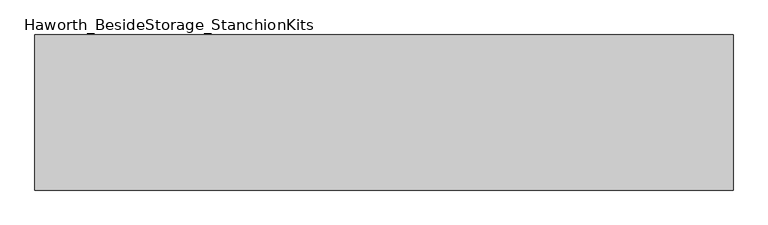
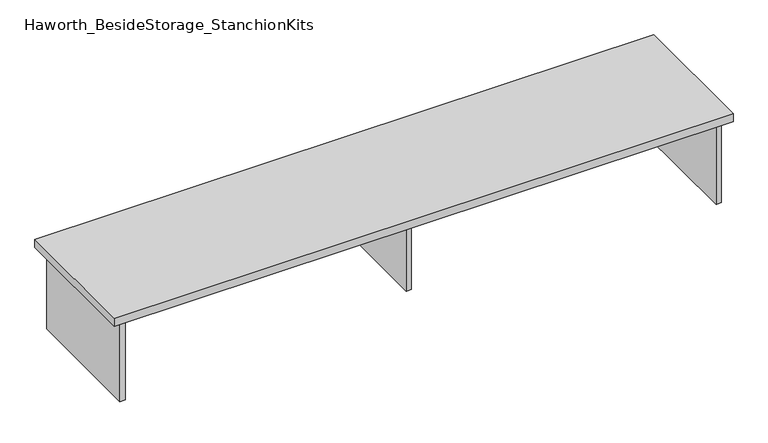
"""IFC4 building model written with IfcOpenShell, lengths in millimetres: furniture geometry, Haworth_BesideStorage_StanchionKits."""

from ifc_helpers import new_model, si_unit, frame, origin, place, context, project, spatial, polyline, outline, extrude, source, transform, mapped, element, save


def haworth_besidestorage_stanchionkits_b48363fd(model_context):
    return source(origin(), model_context, "Body", "SweptSolid", [
        extrude(outline(polyline([(1076.325, 0.0), (1076.325, -406.4), (-752.475, -406.4), (-752.475, 0.0), (1076.325, 0.0)])), frame((0.0, 0.0, 685.8), z_axis=(0.0, 0.0, 1.0), x_axis=(1.0, 0.0, 0.0)), (0.0, 0.0, 1.0), 25.4),
        extrude(outline(polyline([(169.8625, -76.2), (1035.05, -76.2), (1035.05, -92.075), (169.8625, -92.075), (169.8625, -76.2)])), frame((0.0, 0.0, 431.8), z_axis=(0.0, 0.0, 1.0), x_axis=(1.0, 0.0, 0.0)), (0.0, 0.0, 1.0), 254.0),
        extrude(outline(polyline([(169.8625, -330.2), (153.9875, -330.2), (153.9875, -76.2), (169.8625, -76.2), (169.8625, -330.2)])), frame((0.0, 0.0, 431.8), z_axis=(0.0, 0.0, 1.0), x_axis=(1.0, 0.0, 0.0)), (0.0, 0.0, 1.0), 254.0),
        extrude(outline(polyline([(1050.925, -390.525), (1035.05, -390.525), (1035.05, -15.875), (1050.925, -15.875), (1050.925, -390.525)])), frame((0.0, 0.0, 431.8), z_axis=(0.0, 0.0, 1.0), x_axis=(1.0, 0.0, 0.0)), (0.0, 0.0, 1.0), 254.0),
        extrude(outline(polyline([(-711.2, -390.525), (-727.075, -390.525), (-727.075, -15.875), (-711.2, -15.875), (-711.2, -390.525)])), frame((0.0, 0.0, 431.8), z_axis=(0.0, 0.0, 1.0), x_axis=(1.0, 0.0, 0.0)), (0.0, 0.0, 1.0), 254.0),
    ])


if __name__ == "__main__":
    model = new_model("IFC4")
    model_context = context("Model", 3, world=origin())
    ifc_project = project(units=[si_unit("LENGTHUNIT", "METRE", prefix="MILLI")], contexts=[model_context])
    site = spatial("IfcSite", under=ifc_project)
    building = spatial("IfcBuilding", under=site)
    placement = place(None, origin())
    haworth_besidestorage_stanchionkits_shape = haworth_besidestorage_stanchionkits_b48363fd(model_context)
    element("IfcFurniture", 1, ObjectType="Haworth_BesideStorage_StanchionKits", at=placement, inside=building, context=model_context, shape_type="MappedRepresentation", body=[
        mapped(haworth_besidestorage_stanchionkits_shape, transform((0.0, 0.0, 0.0), x_axis=(1.0, 0.0, 0.0), y_axis=(0.0, 1.0, 0.0), z_axis=(0.0, 0.0, 1.0))),
    ])
    save(model, "model.ifc")
